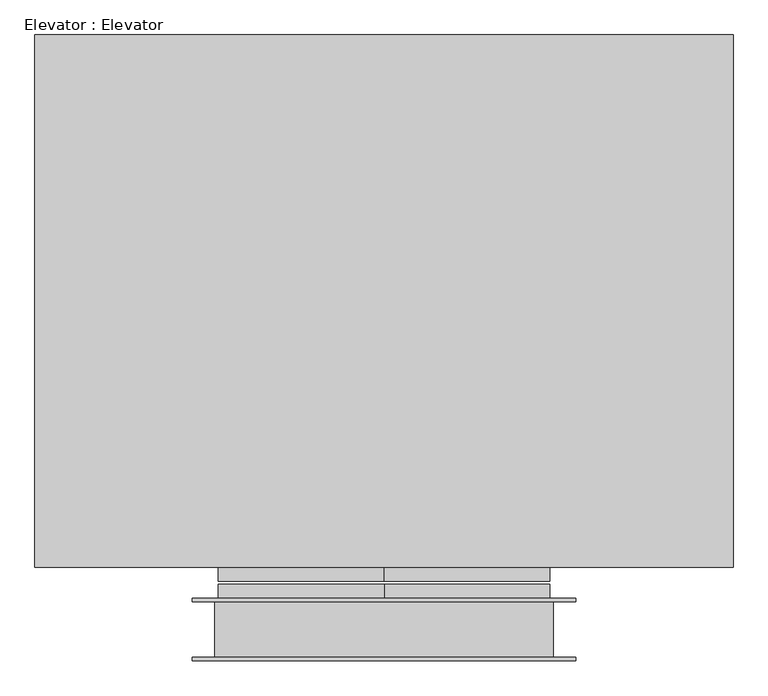
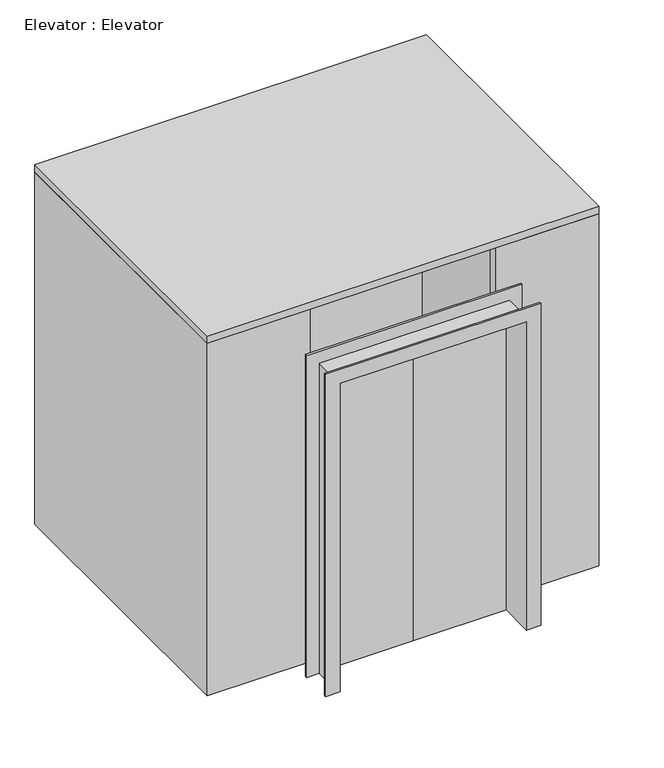
"""IFC4 building model written with IfcOpenShell, lengths in millimetres: proxy geometry, Elevator : Elevator."""

from ifc_helpers import new_model, si_unit, frame, origin, origin_with_axes, place, context, project, spatial, polyline, outline, extrude, faceted_brep, source, transform, mapped, element, save


def elevator_elevator_aea40b95(model_context):
    return source(origin(), model_context, "Body", "SolidModel", [
        extrude(outline(polyline([(1292.0068205, 2184.4), (1292.0068205, 228.6), (-1273.3931795, 228.6), (-1273.3931795, 2184.4), (1292.0068205, 2184.4)])), frame((0.0, 0.0, 2438.4), z_axis=(0.0, 0.0, 1.0), x_axis=(1.0, 0.0, 0.0)), (0.0, 0.0, 1.0), 50.8),
        extrude(outline(polyline([(618.9068205, 177.8), (9.3068205, 177.8), (9.3068205, 228.6), (618.9068205, 228.6), (618.9068205, 177.8)])), origin_with_axes(), (0.0, 0.0, 1.0), 2133.6),
        extrude(outline(polyline([(9.3068205, 177.8), (-600.2931795, 177.8), (-600.2931795, 228.6), (9.3068205, 228.6), (9.3068205, 177.8)])), origin_with_axes(), (0.0, 0.0, 1.0), 2133.6),
        extrude(outline(polyline([(-1209.8931795, 292.1), (-600.2931795, 292.1), (-600.2931795, 228.6), (-1273.3931795, 228.6), (-1273.3931795, 2184.4), (1292.0068205, 2184.4), (1292.0068205, 228.6), (618.9068205, 228.6), (618.9068205, 292.1), (1228.5068205, 292.1), (1228.5068205, 2120.9), (-1209.8931795, 2120.9), (-1209.8931795, 292.1)])), origin_with_axes(), (0.0, 0.0, 1.0), 2438.4),
        extrude(outline(polyline([(9.3068205, 114.3), (-600.2931795, 114.3), (-600.2931795, 165.1), (9.3068205, 165.1), (9.3068205, 114.3)])), origin_with_axes(), (0.0, 0.0, 1.0), 2133.6),
        extrude(outline(polyline([(618.9068205, 114.3), (9.3068205, 114.3), (9.3068205, 165.1), (618.9068205, 165.1), (618.9068205, 114.3)])), origin_with_axes(), (0.0, 0.0, 1.0), 2133.6),
        faceted_brep([(618.9068205, -114.3, 0.0), (618.9068205, 114.3, 0.0), (714.1568205, 114.3, 0.0), (714.1568205, 101.6, 0.0), (631.6068205, 101.6, 0.0), (631.6068205, -101.6, 0.0), (714.1568205, -101.6, 0.0), (714.1568205, -114.3, 0.0), (618.9068205, -114.3, 2133.6), (618.9068205, 114.3, 2133.6), (-600.2931795, 114.3, 2133.6), (-600.2931795, 114.3, 0.0), (-695.5431795, 114.3, 0.0), (-695.5431795, 114.3, 2228.85), (714.1568205, 114.3, 2228.85), (714.1568205, 101.6, 2228.85), (-695.5431795, 101.6, 2228.85), (-695.5431795, 101.6, 0.0), (-612.9931795, 101.6, 0.0), (-612.9931795, 101.6, 2146.3), (631.6068205, 101.6, 2146.3), (631.6068205, -101.6, 2146.3), (-612.9931795, -101.6, 2146.3), (-612.9931795, -101.6, 0.0), (-695.5431795, -101.6, 0.0), (-695.5431795, -101.6, 2228.85), (714.1568205, -101.6, 2228.85), (714.1568205, -114.3, 2228.85), (-695.5431795, -114.3, 2228.85), (-695.5431795, -114.3, 0.0), (-600.2931795, -114.3, 0.0), (-600.2931795, -114.3, 2133.6)], [[[0, 1, 2, 3, 4, 5, 6, 7]], [[1, 0, 8, 9]], [[2, 1, 9, 10, 11, 12, 13, 14]], [[3, 2, 14, 15]], [[4, 3, 15, 16, 17, 18, 19, 20]], [[5, 4, 20, 21]], [[6, 5, 21, 22, 23, 24, 25, 26]], [[7, 6, 26, 27]], [[0, 7, 27, 28, 29, 30, 31, 8]], [[9, 8, 31, 10]], [[15, 14, 13, 16]], [[21, 20, 19, 22]], [[27, 26, 25, 28]], [[30, 29, 24, 23, 18, 17, 12, 11]], [[10, 31, 30, 11]], [[16, 13, 12, 17]], [[22, 19, 18, 23]], [[28, 25, 24, 29]]]),
        extrude(outline(polyline([(1228.5068205, 2120.9), (1228.5068205, 292.1), (-1209.8931795, 292.1), (-1209.8931795, 2120.9), (1228.5068205, 2120.9)])), frame((0.0, 0.0, -50.8), z_axis=(0.0, 0.0, 1.0), x_axis=(1.0, 0.0, 0.0)), (0.0, 0.0, 1.0), 50.8),
    ])


if __name__ == "__main__":
    model = new_model("IFC4")
    model_context = context("Model", 3, world=origin())
    ifc_project = project(units=[si_unit("LENGTHUNIT", "METRE", prefix="MILLI")], contexts=[model_context])
    site = spatial("IfcSite", under=ifc_project)
    building = spatial("IfcBuilding", under=site)
    placement = place(None, origin())
    elevator_elevator_shape = elevator_elevator_aea40b95(model_context)
    element("IfcBuildingElementProxy", 1, Name="Elevator : Elevator", ObjectType="Elevator : Elevator", at=placement, inside=building, context=model_context, shape_type="MappedRepresentation", body=[
        mapped(elevator_elevator_shape, transform((0.0, 0.0, 0.0), x_axis=(1.0, 0.0, 0.0), y_axis=(0.0, 1.0, 0.0), z_axis=(0.0, 0.0, 1.0))),
    ])
    save(model, "model.ifc")
